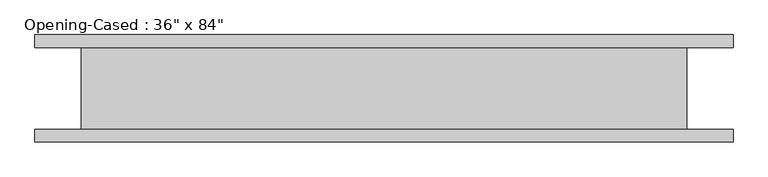
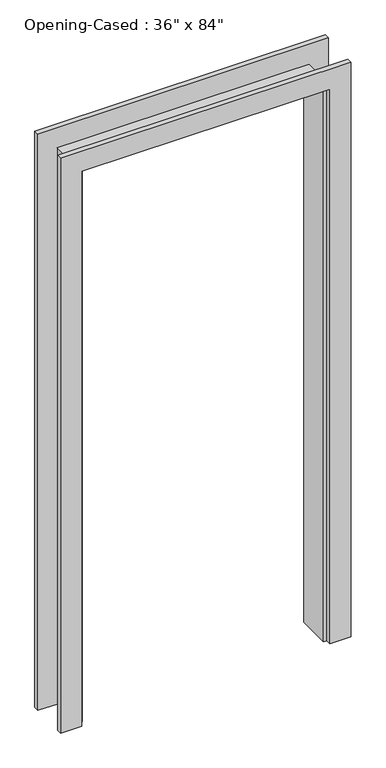
"""IFC4 building model written with IfcOpenShell, lengths in millimetres: proxy geometry."""

from ifc_helpers import new_model, si_unit, frame, origin, place, context, project, spatial, polyline, outline, extrude, faceted_brep, source, transform, mapped, element, save


def proxy_d33b225d(model_context):
    return source(origin(), model_context, "Body", "SolidModel", [
        extrude(outline(polyline([(0.0, -459.0386567), (2127.25, -459.0386567), (2127.25, 442.6613433), (0.0, 442.6613433), (0.0, 518.8613433), (2203.45, 518.8613433), (2203.45, -535.2386567), (0.0, -535.2386567), (0.0, -459.0386567)])), frame((0.0, -80.9625, 0.0), z_axis=(0.0, 1.0, 0.0), x_axis=(0.0, 0.0, 1.0)), (0.0, 0.0, 1.0), 19.05),
        extrude(outline(polyline([(0.0, 518.8613433), (2209.8, 518.8613433), (2209.8, -535.2386567), (0.0, -535.2386567), (0.0, -459.0386567), (2127.25, -459.0386567), (2127.25, 442.6613433), (0.0, 442.6613433), (0.0, 518.8613433)])), frame((0.0, 61.9125, 0.0), z_axis=(0.0, 1.0, 0.0), x_axis=(0.0, 0.0, 1.0)), (0.0, 0.0, 1.0), 19.05),
        faceted_brep([(429.9613433, 61.9125, 0.0), (449.0113433, 61.9125, 0.0), (449.0113433, -61.9125, 0.0), (429.9613433, -61.9125, 0.0), (429.9613433, 61.9125, 2114.55), (449.0113433, 61.9125, 2133.6), (449.0113433, -61.9125, 2133.6), (429.9613433, -61.9125, 2114.55), (-446.3386567, 61.9125, 2114.55), (-465.3886567, 61.9125, 2133.6), (-465.3886567, -61.9125, 2133.6), (-446.3386567, -61.9125, 2114.55), (-446.3386567, 61.9125, 0.0), (-446.3386567, -61.9125, 0.0), (-465.3886567, -61.9125, 0.0), (-465.3886567, 61.9125, 0.0)], [[[0, 1, 2, 3]], [[1, 0, 4, 5]], [[2, 1, 5, 6]], [[3, 2, 6, 7]], [[0, 3, 7, 4]], [[5, 4, 8, 9]], [[6, 5, 9, 10]], [[7, 6, 10, 11]], [[4, 7, 11, 8]], [[12, 13, 14, 15]], [[9, 8, 12, 15]], [[10, 9, 15, 14]], [[11, 10, 14, 13]], [[8, 11, 13, 12]]]),
    ])


if __name__ == "__main__":
    model = new_model("IFC4")
    model_context = context("Model", 3, world=origin())
    ifc_project = project(units=[si_unit("LENGTHUNIT", "METRE", prefix="MILLI")], contexts=[model_context])
    site = spatial("IfcSite", under=ifc_project)
    building = spatial("IfcBuilding", under=site)
    placement = place(None, origin())
    proxy_shape = proxy_d33b225d(model_context)
    element("IfcBuildingElementProxy", 1, Name="Opening-Cased : 36\" x 84\"", ObjectType="Opening-Cased : 36\" x 84\"", at=placement, inside=building, context=model_context, shape_type="MappedRepresentation", body=[
        mapped(proxy_shape, transform((0.0, 0.0, 0.0), x_axis=(1.0, 0.0, 0.0), y_axis=(0.0, 1.0, 0.0), z_axis=(0.0, 0.0, 1.0))),
    ])
    save(model, "model.ifc")
